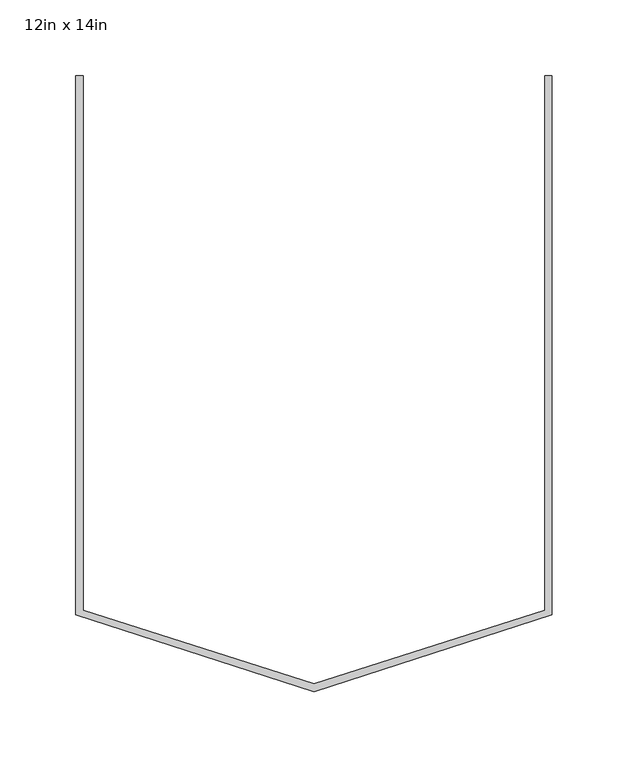
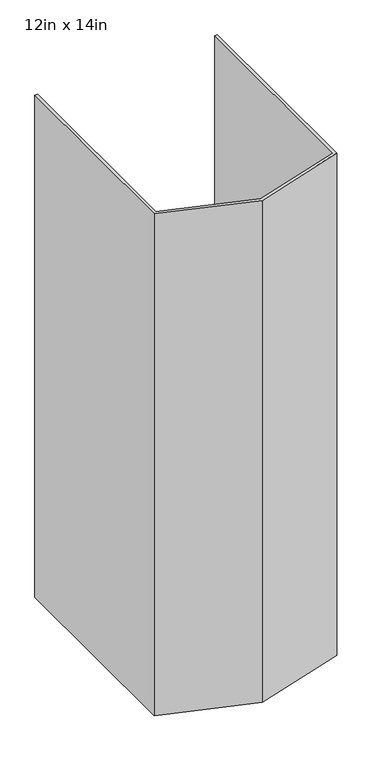
"""IFC4 building model written with IfcOpenShell, lengths in millimetres: proxy geometry, 12in x 14in."""

from ifc_helpers import new_model, si_unit, origin, origin_with_axes, place, context, project, spatial, polyline, outline, extrude, source, transform, mapped, element, save


def proxy_12in_x_14in_e09a5482(model_context):
    return source(origin(), model_context, "Body", "SweptSolid", [
        extrude(outline(polyline([(152.4, 177.8), (157.1625, 177.8), (157.1625, -177.8), (0.0, -228.6), (-157.1625, -177.8), (-157.1625, 177.8), (-152.4, 177.8), (-152.4, -174.7968116), (0.0, -223.3221848), (152.4, -174.7968116), (152.4, 177.8)])), origin_with_axes(), (0.0, 0.0, 1.0), 914.4),
    ])


if __name__ == "__main__":
    model = new_model("IFC4")
    model_context = context("Model", 3, world=origin())
    ifc_project = project(units=[si_unit("LENGTHUNIT", "METRE", prefix="MILLI")], contexts=[model_context])
    site = spatial("IfcSite", under=ifc_project)
    building = spatial("IfcBuilding", under=site)
    placement = place(None, origin())
    proxy_12in_x_14in_shape = proxy_12in_x_14in_e09a5482(model_context)
    element("IfcBuildingElementProxy", 1, Name="12in x 14in", ObjectType="12in x 14in", at=placement, inside=building, context=model_context, shape_type="MappedRepresentation", body=[
        mapped(proxy_12in_x_14in_shape, transform((0.0, 0.0, 0.0), x_axis=(1.0, 0.0, 0.0), y_axis=(0.0, 1.0, 0.0), z_axis=(0.0, 0.0, 1.0))),
    ])
    save(model, "model.ifc")
